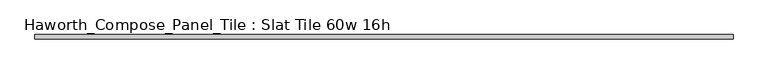
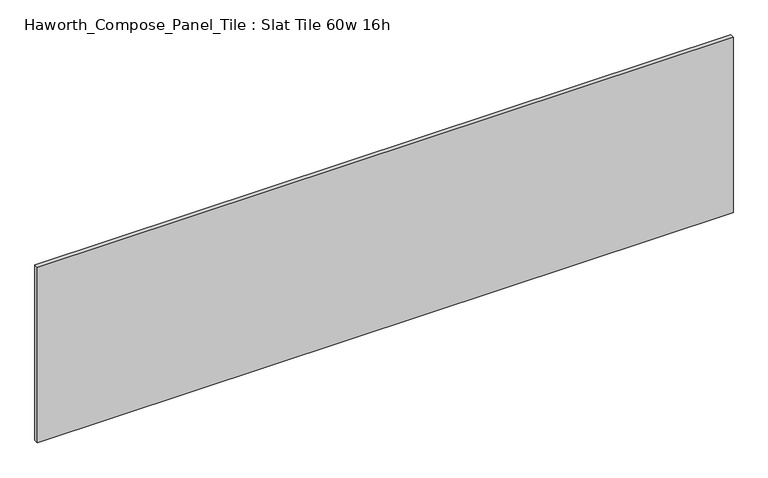
"""IFC4 building model written with IfcOpenShell, lengths in millimetres: furniture geometry, Haworth_Compose_Panel_Tile : Slat Tile 60w 16h."""

from ifc_helpers import new_model, si_unit, frame, origin, place, context, project, spatial, polyline, outline, extrude, source, transform, mapped, element, save


def haworth_compose_panel_tile_slat_tile_60w_16h_eb30cb2f(model_context):
    return source(origin(), model_context, "Body", "SweptSolid", [
        extrude(outline(polyline([(764.4402902, -25.7218594), (-759.5597098, -25.7218594), (-759.5597098, -16.1968594), (764.4402902, -16.1968594), (764.4402902, -25.7218594)])), frame((0.0, 0.0, 1066.8), z_axis=(0.0, 0.0, 1.0), x_axis=(1.0, 0.0, 0.0)), (0.0, 0.0, 1.0), 406.4),
    ])


if __name__ == "__main__":
    model = new_model("IFC4")
    model_context = context("Model", 3, world=origin())
    ifc_project = project(units=[si_unit("LENGTHUNIT", "METRE", prefix="MILLI")], contexts=[model_context])
    site = spatial("IfcSite", under=ifc_project)
    building = spatial("IfcBuilding", under=site)
    placement = place(None, origin())
    haworth_compose_panel_tile_slat_tile_60w_16h_shape = haworth_compose_panel_tile_slat_tile_60w_16h_eb30cb2f(model_context)
    element("IfcFurniture", 1, ObjectType="Haworth_Compose_Panel_Tile : Slat Tile 60w 16h", at=placement, inside=building, context=model_context, shape_type="MappedRepresentation", body=[
        mapped(haworth_compose_panel_tile_slat_tile_60w_16h_shape, transform((0.0, 0.0, 0.0), x_axis=(1.0, 0.0, 0.0), y_axis=(0.0, 1.0, 0.0), z_axis=(0.0, 0.0, 1.0))),
    ])
    save(model, "model.ifc")
